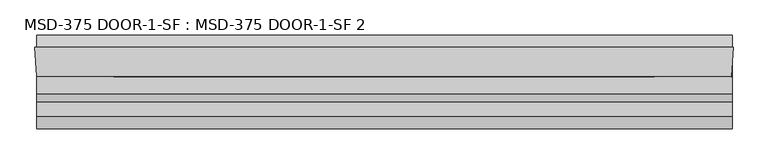
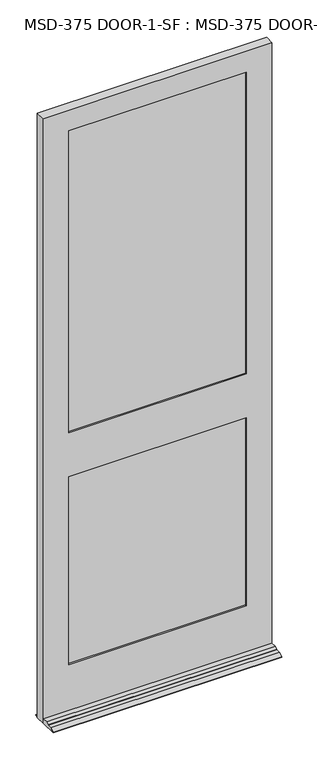
"""IFC4 building model written with IfcOpenShell, lengths in millimetres: plate geometry, MSD-375 DOOR-1-SF : MSD-375 DOOR-1-SF 2."""

from ifc_helpers import new_model, si_unit, frame, origin, place, context, project, spatial, polyline, outline, extrude, faceted_brep, source, transform, mapped, element, save


def msd_375_door_1_sf_msd_375_door_1_sf_2_f7bdf765(model_context):
    return source(origin(), model_context, "Body", "SolidModel", [
        faceted_brep([(528.7563901, 1.8752528, 0.0), (530.1603327, 1.8752528, 0.0), (528.7563901, -20.6651106, 0.0), (528.7563901, -121.9497472, 0.0), (-533.8064, -121.9497472, 0.0), (-533.8064, -42.5747472, 0.0), (-536.575, 1.8752528, 0.0), (-533.8064, 1.8752528, 0.0), (-533.8064, 20.9252528, 0.0), (528.7563901, 20.9252528, 0.0), (528.7563901, 20.9252528, 3.175), (528.7563901, 1.8752528, 12.7), (528.7563901, -35.1325472, 226.2251), (528.7563901, -35.1325472, 246.0625), (528.7563901, -42.5747472, 246.0625), (528.7563901, -42.5747472, 21.4376), (528.7563901, -68.4446472, 21.4376), (528.7563901, -80.8652472, 14.2748), (528.7563901, -80.8652472, 12.7), (528.7563901, -102.8997472, 12.7), (528.7563901, -121.9497472, 3.175), (528.7563901, -20.6651106, 226.2251), (-533.8064, 1.8752528, 12.7), (-533.8064, 20.9252528, 3.175), (-533.8064, -121.9497472, 3.175), (-533.8064, -102.8997472, 12.7), (-533.8064, -80.8652472, 12.7), (-533.8064, -80.8652472, 14.2748), (-533.8064, -68.4446472, 21.4376), (-533.8064, -42.5747472, 21.4376), (530.1603327, 1.8752528, 2971.7168046), (-536.575, 1.8752528, 2971.7168046), (-415.925, 1.8752528, 1169.9748), (-415.925, 1.8752528, 246.0625), (409.5103327, 1.8752528, 246.0625), (409.5103327, 1.8752528, 1169.9748), (409.5103327, 1.8752528, 2870.1168046), (-415.925, 1.8752528, 2870.1168046), (-415.925, 1.8752528, 1385.8748), (409.5103327, 1.8752528, 1385.8748), (409.5103327, -9.7325472, 2870.1168046), (-415.925, -9.7325472, 2870.1168046), (429.3477327, -9.7325472, 1189.8249), (-435.7624, -9.7325472, 1189.8249), (-435.7624, -9.7325472, 226.2251), (429.3477327, -9.7325472, 226.2251), (-415.925, -9.7325472, 1169.9748), (409.5103327, -9.7325472, 1169.9748), (409.5103327, -9.7325472, 246.0625), (-415.925, -9.7325472, 246.0625), (429.3477327, -9.7325472, 2890.0374), (-435.7624, -9.7325472, 2890.0374), (-435.7624, -9.7325472, 1366.0374), (429.3477327, -9.7325472, 1366.0374), (409.5103327, -9.7325472, 1385.8748), (-415.925, -9.7325472, 1385.8748), (429.3477327, -35.1325472, 2890.0374), (-435.7624, -35.1325472, 2890.0374), (-435.7624, -35.1325472, 1189.8249), (429.3477327, -35.1325472, 1189.8249), (429.3477327, -35.1325472, 226.2251), (-435.7624, -35.1325472, 226.2251), (409.5103327, -35.1325472, 1169.9748), (-415.925, -35.1325472, 1169.9748), (-415.925, -35.1325472, 246.0625), (409.5103327, -35.1325472, 246.0625), (429.3477327, -35.1325472, 1366.0374), (-435.7624, -35.1325472, 1366.0374), (409.5103327, -35.1325472, 2870.1168046), (-415.925, -35.1325472, 2870.1168046), (-415.925, -35.1325472, 1385.8748), (409.5103327, -35.1325472, 1385.8748), (527.8552755, -35.1325472, 226.2251), (527.8552755, -35.1325472, 246.0625), (409.5103327, -42.5747472, 2870.1168046), (-415.925, -42.5747472, 2870.1168046), (527.3917327, -42.5747472, 2971.7168046), (-533.8064, -42.5747472, 2971.7168046), (527.3917327, -42.5747472, 246.0625), (409.5103327, -42.5747472, 1169.9748), (409.5103327, -42.5747472, 246.0625), (-415.925, -42.5747472, 246.0625), (-415.925, -42.5747472, 1169.9748), (409.5103327, -42.5747472, 1385.8748), (-415.925, -42.5747472, 1385.8748)], [[[0, 1, 2, 3, 4, 5, 6, 7, 8, 9]], [[9, 10, 11, 0]], [[12, 13, 14, 15, 16, 17, 18, 19, 20, 3, 2, 21]], [[22, 23, 8, 7]], [[4, 24, 25, 26, 27, 28, 29, 5]], [[30, 1, 0, 11, 22, 7, 6, 31], [32, 33, 34, 35], [36, 37, 38, 39]], [[36, 40, 41, 37]], [[42, 43, 44, 45], [46, 47, 48, 49]], [[50, 51, 52, 53], [41, 40, 54, 55]], [[50, 56, 57, 51]], [[58, 59, 60, 61], [62, 63, 64, 65]], [[57, 56, 66, 67], [68, 69, 70, 71]], [[13, 12, 72, 73]], [[68, 74, 75, 69]], [[76, 77, 29, 15, 14, 78], [79, 80, 81, 82], [75, 74, 83, 84]], [[76, 30, 31, 77]], [[56, 50, 53, 66]], [[60, 59, 42, 45]], [[74, 68, 71, 83]], [[79, 62, 65, 80]], [[30, 76, 78, 73, 72, 21, 2, 1]], [[40, 36, 39, 54]], [[47, 35, 34, 48]], [[29, 77, 31, 6, 5]], [[69, 75, 84, 70]], [[63, 82, 81, 64]], [[44, 43, 58, 61]], [[51, 57, 67, 52]], [[37, 41, 55, 38]], [[32, 46, 49, 33]], [[39, 38, 55, 54]], [[66, 53, 52, 67]], [[71, 70, 84, 83]], [[63, 62, 79, 82]], [[42, 59, 58, 43]], [[32, 35, 47, 46]], [[61, 60, 45, 44]], [[12, 21, 72]], [[65, 64, 81, 80]], [[14, 13, 73, 78]], [[16, 15, 29, 28]], [[17, 16, 28, 27]], [[18, 17, 27, 26]], [[19, 18, 26, 25]], [[20, 19, 25, 24]], [[3, 20, 24, 4]], [[10, 9, 8, 23]], [[22, 11, 10, 23]], [[34, 33, 49, 48]]]),
        extrude(outline(polyline([(-433.8662802, -9.7325472), (428.7338756, -9.7325472), (428.7338756, -14.8125472), (-433.8662802, -14.8125472), (-433.8662802, -9.7325472)])), frame((0.0, 0.0, 1366.0374), z_axis=(0.0, 0.0, 1.0), x_axis=(1.0, 0.0, 0.0)), (0.0, 0.0, 1.0), 1524.0),
        extrude(outline(polyline([(428.7338756, -24.2105472), (428.7338756, -29.2905472), (-433.8662802, -29.2905472), (-433.8662802, -24.2105472), (428.7338756, -24.2105472)])), frame((0.0, 0.0, 1366.0374), z_axis=(0.0, 0.0, 1.0), x_axis=(1.0, 0.0, 0.0)), (0.0, 0.0, 1.0), 1524.0),
        extrude(outline(polyline([(-433.8662802, -30.0525472), (428.7338756, -30.0525472), (428.7338756, -35.1325472), (-433.8662802, -35.1325472), (-433.8662802, -30.0525472)])), frame((0.0, 0.0, 1366.0374), z_axis=(0.0, 0.0, 1.0), x_axis=(1.0, 0.0, 0.0)), (0.0, 0.0, 1.0), 1524.0),
        extrude(outline(polyline([(-435.7624, -9.7325472), (429.3477327, -9.7325472), (429.3477327, -14.8125472), (-435.7624, -14.8125472), (-435.7624, -9.7325472)])), frame((0.0, 0.0, 226.21875), z_axis=(0.0, 0.0, 1.0), x_axis=(1.0, 0.0, 0.0)), (0.0, 0.0, 1.0), 963.60615),
        extrude(outline(polyline([(429.3477327, -24.2105472), (429.3477327, -29.2905472), (-435.7624, -29.2905472), (-435.7624, -24.2105472), (429.3477327, -24.2105472)])), frame((0.0, 0.0, 226.21875), z_axis=(0.0, 0.0, 1.0), x_axis=(1.0, 0.0, 0.0)), (0.0, 0.0, 1.0), 963.60615),
        extrude(outline(polyline([(-435.7624, -30.0525472), (429.3477327, -30.0525472), (429.3477327, -35.1325472), (-435.7624, -35.1325472), (-435.7624, -30.0525472)])), frame((0.0, 0.0, 226.21875), z_axis=(0.0, 0.0, 1.0), x_axis=(1.0, 0.0, 0.0)), (0.0, 0.0, 1.0), 963.60615),
    ])


if __name__ == "__main__":
    model = new_model("IFC4")
    model_context = context("Model", 3, world=origin())
    ifc_project = project(units=[si_unit("LENGTHUNIT", "METRE", prefix="MILLI")], contexts=[model_context])
    site = spatial("IfcSite", under=ifc_project)
    building = spatial("IfcBuilding", under=site)
    placement = place(None, origin())
    msd_375_door_1_sf_msd_375_door_1_sf_2_shape = msd_375_door_1_sf_msd_375_door_1_sf_2_f7bdf765(model_context)
    element("IfcPlate", 1, ObjectType="MSD-375 DOOR-1-SF : MSD-375 DOOR-1-SF 2", at=placement, inside=building, context=model_context, shape_type="MappedRepresentation", body=[
        mapped(msd_375_door_1_sf_msd_375_door_1_sf_2_shape, transform((0.0, 0.0, 0.0), x_axis=(1.0, 0.0, 0.0), y_axis=(0.0, 1.0, 0.0), z_axis=(0.0, 0.0, 1.0))),
    ])
    save(model, "model.ifc")
